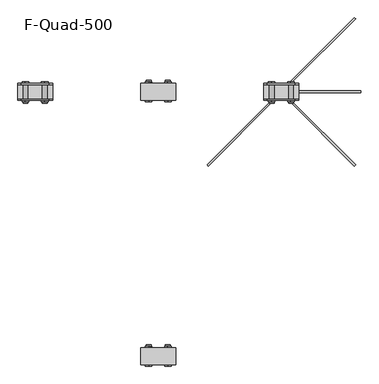
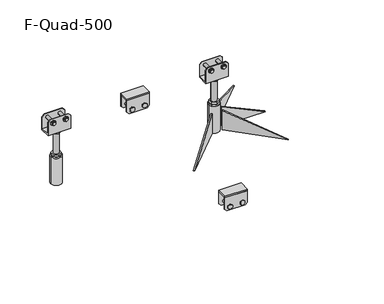
"""IFC4 building model written with IfcOpenShell, lengths in millimetres: beam geometry, F-Quad-500."""

from ifc_helpers import new_model, si_unit, point, frame, frame_2d, origin, place, context, project, spatial, polyline, circle_curve, trimmed, segment, composite_curve, outline, extrude, source, transform, mapped, element, save
from ifc_brep_helpers import plane_surface, cylinder_surface, revolved_surface, advanced_brep


def f_quad_500_ab99eb83(model_context):
    return source(origin(), model_context, "Body", "SolidModel", [
        extrude(outline(polyline([(246.0, 300.0), (236.0, 310.0), (236.0, 390.0), (246.0, 400.0), (300.0, 400.0), (300.0, 300.0), (246.0, 300.0)])), frame((0.0, 728.95, 0.0), z_axis=(0.0, 1.0, 0.0), x_axis=(0.0, 0.0, 1.0)), (0.0, 0.0, 1.0), 3.0),
        extrude(outline(polyline([(246.0, 400.0), (300.0, 400.0), (300.0, 300.0), (246.0, 300.0), (236.0, 310.0), (236.0, 390.0), (246.0, 400.0)])), frame((0.0, 773.45, 0.0), z_axis=(0.0, 1.0, 0.0), x_axis=(0.0, 0.0, 1.0)), (0.0, 0.0, 1.0), 3.0),
        extrude(outline(polyline([(247.4686675, 387.0805489), (258.5313325, 387.0805489), (264.062665, 377.5), (258.5313325, 367.9194511), (247.4686675, 367.9194511), (241.937335, 377.5), (247.4686675, 387.0805489)])), frame((0.0, 776.45, 0.0), z_axis=(0.0, 1.0, 0.0), x_axis=(0.0, 0.0, 1.0)), (0.0, 0.0, 1.0), 5.0),
        extrude(outline(composite_curve([segment(trimmed(circle_curve(frame_2d((253.0, 322.5)), 7.0), [point((253.0, 329.5))], [point((253.0, 315.5))], False, "CARTESIAN"), True, "CONTINUOUS"), segment(trimmed(circle_curve(frame_2d((253.0, 322.5)), 7.0), [point((253.0, 315.5))], [point((253.0, 329.5))], False, "CARTESIAN"), True, "CONTINUOUS")], self_intersect=False)), frame((0.0, 729.046753, 0.0), z_axis=(0.0, 1.0, 0.0), x_axis=(0.0, 0.0, 1.0)), (0.0, 0.0, 1.0), 56.3481376),
        extrude(outline(composite_curve([segment(trimmed(circle_curve(frame_2d((253.0, 377.5)), 7.0), [point((253.0, 384.5))], [point((253.0, 370.5))], False, "CARTESIAN"), True, "CONTINUOUS"), segment(trimmed(circle_curve(frame_2d((253.0, 377.5)), 7.0), [point((253.0, 370.5))], [point((253.0, 384.5))], False, "CARTESIAN"), True, "CONTINUOUS")], self_intersect=False)), frame((0.0, 729.046753, 0.0), z_axis=(0.0, 1.0, 0.0), x_axis=(0.0, 0.0, 1.0)), (0.0, 0.0, 1.0), 56.3481376),
        extrude(outline(polyline([(241.937335, 322.5), (247.4686675, 332.0805489), (258.5313325, 332.0805489), (264.062665, 322.5), (258.5313325, 312.9194511), (247.4686675, 312.9194511), (241.937335, 322.5)])), frame((0.0, 724.046753, 0.0), z_axis=(0.0, 1.0, 0.0), x_axis=(0.0, 0.0, 1.0)), (0.0, 0.0, 1.0), 5.0),
        extrude(outline(polyline([(241.937335, 377.5), (247.4686675, 387.0805489), (258.5313325, 387.0805489), (264.062665, 377.5), (258.5313325, 367.9194511), (247.4686675, 367.9194511), (241.937335, 377.5)])), frame((0.0, 724.046753, 0.0), z_axis=(0.0, 1.0, 0.0), x_axis=(0.0, 0.0, 1.0)), (0.0, 0.0, 1.0), 5.0),
        extrude(outline(polyline([(247.4686675, 332.0805489), (258.5313325, 332.0805489), (264.062665, 322.5), (258.5313325, 312.9194511), (247.4686675, 312.9194511), (241.937335, 322.5), (247.4686675, 332.0805489)])), frame((0.0, 776.45, 0.0), z_axis=(0.0, 1.0, 0.0), x_axis=(0.0, 0.0, 1.0)), (0.0, 0.0, 1.0), 5.0),
        extrude(outline(polyline([(300.0, 728.95), (300.0, 776.45), (400.0, 776.45), (400.0, 728.95), (300.0, 728.95)])), frame((0.0, 0.0, 300.0), z_axis=(0.0, 0.0, 1.0), x_axis=(1.0, 0.0, 0.0)), (0.0, 0.0, 1.0), 7.0),
        extrude(outline(polyline([(246.0, 300.0), (236.0, 310.0), (236.0, 390.0), (246.0, 400.0), (300.0, 400.0), (300.0, 300.0), (246.0, 300.0)])), frame((0.0, -23.55, 0.0), z_axis=(0.0, 1.0, 0.0), x_axis=(0.0, 0.0, 1.0)), (0.0, 0.0, 1.0), 3.0),
        extrude(outline(polyline([(246.0, 400.0), (300.0, 400.0), (300.0, 300.0), (246.0, 300.0), (236.0, 310.0), (236.0, 390.0), (246.0, 400.0)])), frame((0.0, 20.95, 0.0), z_axis=(0.0, 1.0, 0.0), x_axis=(0.0, 0.0, 1.0)), (0.0, 0.0, 1.0), 3.0),
        extrude(outline(polyline([(247.4686675, 387.0805489), (258.5313325, 387.0805489), (264.062665, 377.5), (258.5313325, 367.9194511), (247.4686675, 367.9194511), (241.937335, 377.5), (247.4686675, 387.0805489)])), frame((0.0, 23.95, 0.0), z_axis=(0.0, 1.0, 0.0), x_axis=(0.0, 0.0, 1.0)), (0.0, 0.0, 1.0), 5.0),
        extrude(outline(composite_curve([segment(trimmed(circle_curve(frame_2d((253.0, 322.5)), 7.0), [point((253.0, 329.5))], [point((253.0, 315.5))], False, "CARTESIAN"), True, "CONTINUOUS"), segment(trimmed(circle_curve(frame_2d((253.0, 322.5)), 7.0), [point((253.0, 315.5))], [point((253.0, 329.5))], False, "CARTESIAN"), True, "CONTINUOUS")], self_intersect=False)), frame((0.0, -23.453247, 0.0), z_axis=(0.0, 1.0, 0.0), x_axis=(0.0, 0.0, 1.0)), (0.0, 0.0, 1.0), 56.3481376),
        extrude(outline(composite_curve([segment(trimmed(circle_curve(frame_2d((253.0, 377.5)), 7.0), [point((253.0, 384.5))], [point((253.0, 370.5))], False, "CARTESIAN"), True, "CONTINUOUS"), segment(trimmed(circle_curve(frame_2d((253.0, 377.5)), 7.0), [point((253.0, 370.5))], [point((253.0, 384.5))], False, "CARTESIAN"), True, "CONTINUOUS")], self_intersect=False)), frame((0.0, -23.453247, 0.0), z_axis=(0.0, 1.0, 0.0), x_axis=(0.0, 0.0, 1.0)), (0.0, 0.0, 1.0), 56.3481376),
        extrude(outline(polyline([(241.937335, 322.5), (247.4686675, 332.0805489), (258.5313325, 332.0805489), (264.062665, 322.5), (258.5313325, 312.9194511), (247.4686675, 312.9194511), (241.937335, 322.5)])), frame((0.0, -28.453247, 0.0), z_axis=(0.0, 1.0, 0.0), x_axis=(0.0, 0.0, 1.0)), (0.0, 0.0, 1.0), 5.0),
        extrude(outline(polyline([(241.937335, 377.5), (247.4686675, 387.0805489), (258.5313325, 387.0805489), (264.062665, 377.5), (258.5313325, 367.9194511), (247.4686675, 367.9194511), (241.937335, 377.5)])), frame((0.0, -28.453247, 0.0), z_axis=(0.0, 1.0, 0.0), x_axis=(0.0, 0.0, 1.0)), (0.0, 0.0, 1.0), 5.0),
        extrude(outline(polyline([(247.4686675, 332.0805489), (258.5313325, 332.0805489), (264.062665, 322.5), (258.5313325, 312.9194511), (247.4686675, 312.9194511), (241.937335, 322.5), (247.4686675, 332.0805489)])), frame((0.0, 23.95, 0.0), z_axis=(0.0, 1.0, 0.0), x_axis=(0.0, 0.0, 1.0)), (0.0, 0.0, 1.0), 5.0),
        extrude(outline(polyline([(300.0, -23.55), (300.0, 23.95), (400.0, 23.95), (400.0, -23.55), (300.0, -23.55)])), frame((0.0, 0.0, 300.0), z_axis=(0.0, 0.0, 1.0), x_axis=(1.0, 0.0, 0.0)), (0.0, 0.0, 1.0), 7.0),
        advanced_brep(
        [(650.0, 731.75, 265.0), (750.0, 731.75, 265.0), (750.0, 773.25, 265.0), (650.0, 773.25, 265.0), (750.0, 776.25, 258.0), (750.0, 728.75, 258.0), (650.0, 728.75, 258.0), (650.0, 776.25, 258.0), (727.5, 781.153247, 323.062665), (737.0805489, 781.153247, 317.5313325), (737.0805489, 781.153247, 306.4686675), (727.5, 781.153247, 300.937335), (717.9194511, 781.153247, 306.4686675), (717.9194511, 781.153247, 317.5313325), (672.5, 781.153247, 323.062665), (682.0805489, 781.153247, 317.5313325), (682.0805489, 781.153247, 306.4686675), (672.5, 781.153247, 300.937335), (662.9194511, 781.153247, 306.4686675), (662.9194511, 781.153247, 317.5313325), (727.5, 776.153247, 323.062665), (737.0805489, 776.25, 317.5313325), (737.0805489, 776.25, 306.4686675), (727.5, 776.25, 300.937335), (717.9194511, 776.25, 306.4686675), (717.9194511, 776.25, 317.5313325), (672.5, 776.153247, 323.062665), (682.0805489, 776.25, 317.5313325), (682.0805489, 776.25, 306.4686675), (672.5, 776.25, 300.937335), (662.9194511, 776.25, 306.4686675), (662.9194511, 776.25, 317.5313325), (717.9194511, 723.75, 317.5313325), (717.9194511, 723.75, 306.4686675), (727.5, 723.75, 300.937335), (737.0805489, 723.75, 306.4686675), (737.0805489, 723.75, 317.5313325), (727.5, 723.75, 323.062665), (720.5, 723.75, 312.0), (734.5, 723.75, 312.0), (717.9194511, 728.75, 317.5313325), (717.9194511, 728.75, 306.4686675), (727.5, 728.75, 300.937335), (737.0805489, 728.75, 306.4686675), (737.0805489, 728.75, 317.5313325), (727.5, 728.75, 323.062665), (662.9194511, 723.75, 317.5313325), (662.9194511, 723.75, 306.4686675), (672.5, 723.75, 300.937335), (682.0805489, 723.75, 306.4686675), (682.0805489, 723.75, 317.5313325), (672.5, 723.75, 323.062665), (665.5, 723.75, 312.0), (679.5, 723.75, 312.0), (662.9194511, 728.75, 317.5313325), (662.9194511, 728.75, 306.4686675), (672.5, 728.75, 300.937335), (682.0805489, 728.75, 306.4686675), (682.0805489, 728.75, 317.5313325), (672.5, 728.75, 323.062665), (650.0, 731.75, 319.0), (660.0, 731.75, 329.0), (740.0, 731.75, 329.0), (750.0, 731.75, 319.0), (734.5, 731.75, 312.0), (720.5, 731.75, 312.0), (679.5, 731.75, 312.0), (665.5, 731.75, 312.0), (740.0, 728.75, 329.0), (750.0, 728.75, 319.0), (660.0, 728.75, 329.0), (650.0, 728.75, 319.0), (750.0, 773.25, 319.0), (740.0, 773.25, 329.0), (660.0, 773.25, 329.0), (650.0, 773.25, 319.0), (720.5, 773.25, 312.0), (734.5, 773.25, 312.0), (665.5, 773.25, 312.0), (679.5, 773.25, 312.0), (750.0, 776.25, 319.0), (740.0, 776.25, 329.0), (660.0, 776.25, 329.0), (650.0, 776.25, 319.0), (720.5, 719.8051094, 312.0), (734.5, 719.8051094, 312.0), (665.5, 719.8051094, 312.0), (679.5, 719.8051094, 312.0)],
        [
            (0, 1),
            (1, 2),
            (2, 3),
            (3, 0),
            (4, 5),
            (5, 6),
            (6, 7),
            (7, 4),
            (8, 9),
            (9, 10),
            (10, 11),
            (11, 12),
            (12, 13),
            (13, 8),
            (14, 15),
            (15, 16),
            (16, 17),
            (17, 18),
            (18, 19),
            (19, 14),
            (8, 20),
            (20, 21),
            (21, 9),
            (21, 22),
            (22, 10),
            (22, 23),
            (23, 11),
            (23, 24),
            (24, 12),
            (24, 25),
            (25, 13),
            (25, 20),
            (14, 26),
            (26, 27),
            (27, 15),
            (27, 28),
            (28, 16),
            (28, 29),
            (29, 17),
            (29, 30),
            (30, 18),
            (30, 31),
            (31, 19),
            (31, 26),
            (32, 33),
            (33, 34),
            (34, 35),
            (35, 36),
            (36, 37),
            (37, 32),
            (38, 39, circle_curve(frame((727.5, 723.75, 312.0), z_axis=(0.0, 1.0, 0.0), x_axis=(-1.0, 0.0, 0.0)), 7.0)),
            (39, 38, circle_curve(frame((727.5, 723.75, 312.0), z_axis=(0.0, 1.0, 0.0), x_axis=(-1.0, 0.0, 0.0)), 7.0)),
            (32, 40),
            (40, 41),
            (41, 33),
            (41, 42),
            (42, 34),
            (42, 43),
            (43, 35),
            (43, 44),
            (44, 36),
            (44, 45),
            (45, 37),
            (45, 40),
            (46, 47),
            (47, 48),
            (48, 49),
            (49, 50),
            (50, 51),
            (51, 46),
            (52, 53, circle_curve(frame((672.5, 723.75, 312.0), z_axis=(0.0, 1.0, 0.0), x_axis=(-1.0, 0.0, 0.0)), 7.0)),
            (53, 52, circle_curve(frame((672.5, 723.75, 312.0), z_axis=(0.0, 1.0, 0.0), x_axis=(-1.0, 0.0, 0.0)), 7.0)),
            (46, 54),
            (54, 55),
            (55, 47),
            (55, 56),
            (56, 48),
            (56, 57),
            (57, 49),
            (57, 58),
            (58, 50),
            (58, 59),
            (59, 51),
            (59, 54),
            (60, 61),
            (61, 62),
            (62, 63),
            (63, 1),
            (0, 60),
            (64, 65, circle_curve(frame((727.5, 731.75, 312.0), z_axis=(0.0, -1.0, 0.0), x_axis=(-1.0, 0.0, 0.0)), 7.0)),
            (65, 64, circle_curve(frame((727.5, 731.75, 312.0), z_axis=(0.0, -1.0, 0.0), x_axis=(-1.0, 0.0, 0.0)), 7.0)),
            (66, 67, circle_curve(frame((672.5, 731.75, 312.0), z_axis=(0.0, -1.0, 0.0), x_axis=(-1.0, 0.0, 0.0)), 7.0)),
            (67, 66, circle_curve(frame((672.5, 731.75, 312.0), z_axis=(0.0, -1.0, 0.0), x_axis=(-1.0, 0.0, 0.0)), 7.0)),
            (62, 68),
            (68, 69),
            (69, 63),
            (61, 70),
            (70, 68),
            (60, 71),
            (71, 70),
            (72, 73),
            (73, 74),
            (74, 75),
            (75, 3),
            (2, 72),
            (76, 77, circle_curve(frame((727.5, 773.25, 312.0), z_axis=(0.0, 1.0, 0.0), x_axis=(-1.0, 0.0, 0.0)), 7.0)),
            (77, 76, circle_curve(frame((727.5, 773.25, 312.0), z_axis=(0.0, 1.0, 0.0), x_axis=(-1.0, 0.0, 0.0)), 7.0)),
            (78, 79, circle_curve(frame((672.5, 773.25, 312.0), z_axis=(0.0, 1.0, 0.0), x_axis=(-1.0, 0.0, 0.0)), 7.0)),
            (79, 78, circle_curve(frame((672.5, 773.25, 312.0), z_axis=(0.0, 1.0, 0.0), x_axis=(-1.0, 0.0, 0.0)), 7.0)),
            (80, 81),
            (81, 73),
            (72, 80),
            (81, 82),
            (82, 74),
            (82, 83),
            (83, 75),
            (7, 83),
            (80, 4),
            (6, 71),
            (5, 69),
            (84, 85, circle_curve(frame((727.5, 719.8051094, 312.0), z_axis=(0.0, -1.0, 0.0), x_axis=(-1.0, 0.0, 0.0)), 7.0)),
            (85, 84, circle_curve(frame((727.5, 719.8051094, 312.0), z_axis=(0.0, -1.0, 0.0), x_axis=(-1.0, 0.0, 0.0)), 7.0)),
            (86, 87, circle_curve(frame((672.5, 719.8051094, 312.0), z_axis=(0.0, -1.0, 0.0), x_axis=(-1.0, 0.0, 0.0)), 7.0)),
            (87, 86, circle_curve(frame((672.5, 719.8051094, 312.0), z_axis=(0.0, -1.0, 0.0), x_axis=(-1.0, 0.0, 0.0)), 7.0)),
            (85, 39),
            (38, 84),
            (64, 77),
            (76, 65),
            (87, 53),
            (52, 86),
            (66, 79),
            (78, 67),
        ],
        [
            plane_surface(frame((700.0, 776.25, 265.0), z_axis=(0.0, 0.0, 1.0), x_axis=(-1.0, 0.0, 0.0))),
            plane_surface(frame((700.0, 776.25, 258.0), z_axis=(0.0, 0.0, -1.0), x_axis=(1.0, 0.0, 0.0))),
            plane_surface(frame((727.5, 781.153247, 323.062665), z_axis=(0.0, 1.0, 0.0), x_axis=(0.866025403784437, 0.0, -0.5000000000000028))),
            plane_surface(frame((727.5, 781.153247, 323.062665), z_axis=(0.5000000000000028, 0.0, 0.866025403784437), x_axis=(0.0, -1.0, 0.0))),
            plane_surface(frame((737.0805489, 781.153247, 317.5313325), z_axis=(1.0, 0.0, 0.0), x_axis=(0.0, -1.0, 0.0))),
            plane_surface(frame((737.0805489, 781.153247, 306.4686675), z_axis=(0.4999999999999971, 0.0, -0.8660254037844404), x_axis=(0.0, -1.0, 0.0))),
            plane_surface(frame((727.5, 781.153247, 300.937335), z_axis=(-0.5000000000000031, 0.0, -0.8660254037844369), x_axis=(0.0, -1.0, 0.0))),
            plane_surface(frame((717.9194511, 781.153247, 306.4686675), z_axis=(-1.0, 0.0, 0.0), x_axis=(0.0, -1.0, 0.0))),
            plane_surface(frame((717.9194511, 781.153247, 317.5313325), z_axis=(-0.4999999999999962, 0.0, 0.8660254037844408), x_axis=(0.0, -1.0, 0.0))),
            plane_surface(frame((672.5, 781.153247, 323.062665), z_axis=(0.5000000000000028, 0.0, 0.866025403784437), x_axis=(0.0, -1.0, 0.0))),
            plane_surface(frame((682.0805489, 781.153247, 317.5313325), z_axis=(1.0, 0.0, 0.0), x_axis=(0.0, -1.0, 0.0))),
            plane_surface(frame((682.0805489, 781.153247, 306.4686675), z_axis=(0.4999999999999972, 0.0, -0.8660254037844403), x_axis=(0.0, -1.0, 0.0))),
            plane_surface(frame((672.5, 781.153247, 300.937335), z_axis=(-0.5000000000000029, 0.0, -0.866025403784437), x_axis=(0.0, -1.0, 0.0))),
            plane_surface(frame((662.9194511, 781.153247, 306.4686675), z_axis=(-1.0, 0.0, 0.0), x_axis=(0.0, -1.0, 0.0))),
            plane_surface(frame((662.9194511, 781.153247, 317.5313325), z_axis=(-0.49999999999999617, 0.0, 0.8660254037844409), x_axis=(0.0, -1.0, 0.0))),
            plane_surface(frame((717.9194511, 723.75, 317.5313325), z_axis=(0.0, -1.0, 0.0), x_axis=(0.0, 0.0, -1.0))),
            plane_surface(frame((717.9194511, 723.75, 317.5313325), z_axis=(-1.0, 0.0, 0.0), x_axis=(0.0, 1.0, 0.0))),
            plane_surface(frame((717.9194511, 723.75, 306.4686675), z_axis=(-0.500000000000003, 0.0, -0.866025403784437), x_axis=(0.0, 1.0, 0.0))),
            plane_surface(frame((727.5, 723.75, 300.937335), z_axis=(0.4999999999999972, 0.0, -0.8660254037844403), x_axis=(0.0, 1.0, 0.0))),
            plane_surface(frame((737.0805489, 723.75, 306.4686675), z_axis=(1.0, 0.0, 0.0), x_axis=(0.0, 1.0, 0.0))),
            plane_surface(frame((737.0805489, 723.75, 317.5313325), z_axis=(0.5000000000000038, 0.0, 0.8660254037844366), x_axis=(0.0, 1.0, 0.0))),
            plane_surface(frame((727.5, 723.75, 323.062665), z_axis=(-0.4999999999999978, 0.0, 0.8660254037844399), x_axis=(0.0, 1.0, 0.0))),
            plane_surface(frame((662.9194511, 723.75, 317.5313325), z_axis=(0.0, -1.0, 0.0), x_axis=(0.0, 0.0, -1.0))),
            plane_surface(frame((662.9194511, 723.75, 317.5313325), z_axis=(-1.0, 0.0, 0.0), x_axis=(0.0, 1.0, 0.0))),
            plane_surface(frame((662.9194511, 723.75, 306.4686675), z_axis=(-0.5000000000000031, 0.0, -0.8660254037844368), x_axis=(0.0, 1.0, 0.0))),
            plane_surface(frame((672.5, 723.75, 300.937335), z_axis=(0.49999999999999717, 0.0, -0.8660254037844404), x_axis=(0.0, 1.0, 0.0))),
            plane_surface(frame((682.0805489, 723.75, 306.4686675), z_axis=(1.0, 0.0, 0.0), x_axis=(0.0, 1.0, 0.0))),
            plane_surface(frame((682.0805489, 723.75, 317.5313325), z_axis=(0.5000000000000036, 0.0, 0.8660254037844367), x_axis=(0.0, 1.0, 0.0))),
            plane_surface(frame((672.5, 723.75, 323.062665), z_axis=(-0.4999999999999981, 0.0, 0.8660254037844398), x_axis=(0.0, 1.0, 0.0))),
            plane_surface(frame((650.0, 731.75, 319.0), z_axis=(0.0, 1.0, 0.0), x_axis=(0.0, 0.0, 1.0))),
            plane_surface(frame((750.0, 728.75, 319.0), z_axis=(0.7071067811865493, 0.0, 0.7071067811865457), x_axis=(0.0, 1.0, 0.0))),
            plane_surface(frame((740.0, 728.75, 329.0), z_axis=(0.0, 0.0, 1.0), x_axis=(0.0, 1.0, 0.0))),
            plane_surface(frame((660.0, 728.75, 329.0), z_axis=(-0.707106781186547, 0.0, 0.7071067811865481), x_axis=(0.0, 1.0, 0.0))),
            plane_surface(frame((740.0, 773.25, 329.0), z_axis=(0.0, -1.0, 0.0), x_axis=(-0.7071067811865458, 0.0, 0.7071067811865493))),
            plane_surface(frame((750.0, 773.25, 319.0), z_axis=(0.7071067811865493, 0.0, 0.7071067811865458), x_axis=(0.0, 1.0, 0.0))),
            plane_surface(frame((740.0, 773.25, 329.0), z_axis=(0.0, 0.0, 1.0), x_axis=(0.0, 1.0, 0.0))),
            plane_surface(frame((660.0, 773.25, 329.0), z_axis=(-0.7071067811865467, 0.0, 0.7071067811865485), x_axis=(0.0, 1.0, 0.0))),
            plane_surface(frame((750.0, 776.25, 265.0), z_axis=(0.0, 1.0, 0.0), x_axis=(0.0, 0.0, -1.0))),
            plane_surface(frame((650.0, 776.25, 265.0), z_axis=(-1.0, 0.0, 0.0), x_axis=(0.0, 0.0, -1.0))),
            plane_surface(frame((650.0, 728.75, 265.0), z_axis=(0.0, -1.0, 0.0), x_axis=(0.0, 0.0, -1.0))),
            plane_surface(frame((750.0, 728.75, 265.0), z_axis=(1.0, 0.0, 0.0), x_axis=(0.0, 0.0, -1.0))),
            plane_surface(frame((720.5, 719.8051094, 312.0), z_axis=(0.0, -1.0, 0.0), x_axis=(0.0, 0.0, -1.0))),
            cylinder_surface(frame((727.5, 719.8051094, 312.0), z_axis=(0.0, 1.0, 0.0), x_axis=(-1.0, 0.0, 0.0)), 7.0),
            cylinder_surface(frame((672.5, 776.153247, 312.0), z_axis=(0.0, 1.0, 0.0), x_axis=(-1.0, 0.0, 0.0)), 7.0),
        ],
        [
            (0, [[1, 2, 3, 4]]),
            (1, [[5, 6, 7, 8]]),
            (2, [[9, 10, 11, 12, 13, 14]]),
            (2, [[15, 16, 17, 18, 19, 20]]),
            (3, [[-9, 21, 22, 23]]),
            (4, [[-10, -23, 24, 25]]),
            (5, [[-11, -25, 26, 27]]),
            (6, [[-12, -27, 28, 29]]),
            (7, [[-13, -29, 30, 31]]),
            (8, [[-14, -31, 32, -21]]),
            (9, [[-15, 33, 34, 35]]),
            (10, [[-16, -35, 36, 37]]),
            (11, [[-17, -37, 38, 39]]),
            (12, [[-18, -39, 40, 41]]),
            (13, [[-19, -41, 42, 43]]),
            (14, [[-20, -43, 44, -33]]),
            (15, [[45, 46, 47, 48, 49, 50], [51, 52]]),
            (16, [[-45, 53, 54, 55]]),
            (17, [[-46, -55, 56, 57]]),
            (18, [[-47, -57, 58, 59]]),
            (19, [[-48, -59, 60, 61]]),
            (20, [[-49, -61, 62, 63]]),
            (21, [[-50, -63, 64, -53]]),
            (22, [[65, 66, 67, 68, 69, 70], [71, 72]]),
            (23, [[-65, 73, 74, 75]]),
            (24, [[-66, -75, 76, 77]]),
            (25, [[-67, -77, 78, 79]]),
            (26, [[-68, -79, 80, 81]]),
            (27, [[-69, -81, 82, 83]]),
            (28, [[-70, -83, 84, -73]]),
            (29, [[85, 86, 87, 88, -1, 89], [90, 91], [92, 93]]),
            (30, [[-87, 94, 95, 96]]),
            (31, [[-86, 97, 98, -94]]),
            (32, [[-85, 99, 100, -97]]),
            (33, [[101, 102, 103, 104, -3, 105], [106, 107], [108, 109]]),
            (34, [[110, 111, -101, 112]]),
            (35, [[113, 114, -102, -111]]),
            (36, [[115, 116, -103, -114]]),
            (37, [[-8, 117, -115, -113, -110, 118], [-22, -32, -30, -28, -26, -24], [-34, -44, -42, -40, -38, -36]]),
            (38, [[-117, -7, 119, -99, -89, -4, -104, -116]]),
            (39, [[-6, 120, -95, -98, -100, -119], [-54, -64, -62, -60, -58, -56], [-74, -84, -82, -80, -78, -76]]),
            (40, [[-5, -118, -112, -105, -2, -88, -96, -120]]),
            (41, [[121, 122]]),
            (41, [[123, 124]]),
            (42, [[-122, 125, -51, 126]]),
            (42, [[-90, 127, -106, 128]]),
            (42, [[-121, -126, -52, -125]]),
            (42, [[-91, -128, -107, -127]]),
            (43, [[-124, 129, -71, 130]]),
            (43, [[-92, 131, -108, 132]]),
            (43, [[-123, -130, -72, -129]]),
            (43, [[-93, -132, -109, -131]]),
        ],
    ),
        advanced_brep(
        [(688.0, 752.5, 248.0), (688.0, 752.5, 150.0), (712.0, 752.5, 150.0), (712.0, 752.5, 248.0), (682.6794919, 762.5, 258.0), (682.6794919, 742.5, 258.0), (700.0, 732.5, 258.0), (717.3205081, 742.5, 258.0), (717.3205081, 762.5, 258.0), (700.0, 772.5, 258.0), (682.6794919, 762.5, 248.0), (700.0, 772.5, 248.0), (717.3205081, 762.5, 248.0), (717.3205081, 742.5, 248.0), (700.0, 732.5, 248.0), (682.6794919, 742.5, 248.0), (682.6794919, 762.5, 150.0), (682.6794919, 742.5, 150.0), (700.0, 732.5, 150.0), (717.3205081, 742.5, 150.0), (717.3205081, 762.5, 150.0), (700.0, 772.5, 150.0), (682.6794919, 762.5, 140.0), (682.6794919, 752.5, 140.0), (682.6794919, 742.5, 140.0), (700.0, 732.5, 140.0), (717.3205081, 742.5, 140.0), (717.3205081, 752.5, 140.0), (717.3205081, 762.5, 140.0), (700.0, 772.5, 140.0), (680.0, 752.5, 140.0), (720.0, 752.5, 140.0), (724.0, 752.5, 136.0), (676.0, 752.5, 136.0), (724.0, 752.5, 10.0), (676.0, 752.5, 10.0), (700.0, 752.5, 10.0)],
        [
            (0, 1),
            (1, 2, circle_curve(frame((700.0, 752.5, 150.0), z_axis=(0.0, 0.0, 1.0), x_axis=(1.0, 0.0, 0.0)), 12.0)),
            (2, 3),
            (3, 0, circle_curve(frame((700.0, 752.5, 248.0), z_axis=(0.0, 0.0, -1.0), x_axis=(1.0, 0.0, 0.0)), 12.0)),
            (0, 3, circle_curve(frame((700.0, 752.5, 248.0), z_axis=(0.0, 0.0, -1.0), x_axis=(1.0, 0.0, 0.0)), 12.0)),
            (2, 1, circle_curve(frame((700.0, 752.5, 150.0), z_axis=(0.0, 0.0, 1.0), x_axis=(1.0, 0.0, 0.0)), 12.0)),
            (4, 5),
            (5, 6),
            (6, 7),
            (7, 8),
            (8, 9),
            (9, 4),
            (10, 11),
            (11, 12),
            (12, 13),
            (13, 14),
            (14, 15),
            (15, 10),
            (4, 10),
            (15, 5),
            (14, 6),
            (13, 7),
            (12, 8),
            (11, 9),
            (16, 17),
            (17, 18),
            (18, 19),
            (19, 20),
            (20, 21),
            (21, 16),
            (16, 22),
            (22, 23),
            (23, 24),
            (24, 17),
            (24, 25),
            (25, 18),
            (25, 26),
            (26, 19),
            (26, 27),
            (27, 28),
            (28, 20),
            (28, 29),
            (29, 21),
            (29, 22),
            (22, 30, circle_curve(frame((700.0, 752.5, 140.0), z_axis=(0.0, 0.0, 1.0), x_axis=(-1.0, 0.0, 0.0)), 20.0)),
            (30, 23),
            (29, 22, circle_curve(frame((700.0, 752.5, 140.0), z_axis=(0.0, 0.0, 1.0), x_axis=(-1.0, 0.0, 0.0)), 20.0)),
            (28, 29, circle_curve(frame((700.0, 752.5, 140.0), z_axis=(0.0, 0.0, 1.0), x_axis=(-1.0, 0.0, 0.0)), 20.0)),
            (31, 28, circle_curve(frame((700.0, 752.5, 140.0), z_axis=(0.0, 0.0, 1.0), x_axis=(-1.0, 0.0, 0.0)), 20.0)),
            (27, 31),
            (26, 31, circle_curve(frame((700.0, 752.5, 140.0), z_axis=(0.0, 0.0, 1.0), x_axis=(-1.0, 0.0, 0.0)), 20.0)),
            (25, 26, circle_curve(frame((700.0, 752.5, 140.0), z_axis=(0.0, 0.0, 1.0), x_axis=(-1.0, 0.0, 0.0)), 20.0)),
            (24, 25, circle_curve(frame((700.0, 752.5, 140.0), z_axis=(0.0, 0.0, 1.0), x_axis=(-1.0, 0.0, 0.0)), 20.0)),
            (30, 24, circle_curve(frame((700.0, 752.5, 140.0), z_axis=(0.0, 0.0, 1.0), x_axis=(-1.0, 0.0, 0.0)), 20.0)),
            (32, 33, circle_curve(frame((700.0, 752.5, 136.0), z_axis=(0.0, 0.0, 1.0), x_axis=(-1.0, 0.0, 0.0)), 24.0)),
            (33, 30),
            (31, 32),
            (33, 32, circle_curve(frame((700.0, 752.5, 136.0), z_axis=(0.0, 0.0, 1.0), x_axis=(-1.0, 0.0, 0.0)), 24.0)),
            (32, 34),
            (34, 35, circle_curve(frame((700.0, 752.5, 10.0), z_axis=(0.0, 0.0, 1.0), x_axis=(-1.0, 0.0, 0.0)), 24.0)),
            (35, 33),
            (35, 34, circle_curve(frame((700.0, 752.5, 10.0), z_axis=(0.0, 0.0, 1.0), x_axis=(-1.0, 0.0, 0.0)), 24.0)),
            (34, 36),
            (36, 35),
        ],
        [
            cylinder_surface(frame((700.0, 752.5, 150.0), z_axis=(0.0, 0.0, 1.0), x_axis=(1.0, 0.0, 0.0)), 12.0),
            plane_surface(frame((682.6794919, 762.5, 258.0), z_axis=(0.0, 0.0, 1.0), x_axis=(0.0, -1.0, 0.0))),
            plane_surface(frame((682.6794919, 762.5, 248.0), z_axis=(0.0, 0.0, -1.0), x_axis=(0.0, 1.0, 0.0))),
            plane_surface(frame((682.6794919, 762.5, 258.0), z_axis=(-1.0, 0.0, 0.0), x_axis=(0.0, 0.0, -1.0))),
            plane_surface(frame((682.6794919, 742.5, 258.0), z_axis=(-0.5000000000000034, -0.8660254037844367, 0.0), x_axis=(0.0, 0.0, -1.0))),
            plane_surface(frame((700.0, 732.5, 258.0), z_axis=(0.4999999999999958, -0.8660254037844412, 0.0), x_axis=(0.0, 0.0, -1.0))),
            plane_surface(frame((717.3205081, 742.5, 258.0), z_axis=(1.0, 0.0, 0.0), x_axis=(0.0, 0.0, -1.0))),
            plane_surface(frame((717.3205081, 762.5, 258.0), z_axis=(0.5000000000000064, 0.866025403784435, 0.0), x_axis=(0.0, 0.0, -1.0))),
            plane_surface(frame((700.0, 772.5, 258.0), z_axis=(-0.4999999999999984, 0.8660254037844396, 0.0), x_axis=(0.0, 0.0, -1.0))),
            plane_surface(frame((682.6794919, 762.5, 150.0), z_axis=(0.0, 0.0, 1.0), x_axis=(0.0, -1.0, 0.0))),
            plane_surface(frame((682.6794919, 762.5, 150.0), z_axis=(-1.0, 0.0, 0.0), x_axis=(0.0, 0.0, -1.0))),
            plane_surface(frame((682.6794919, 742.5, 150.0), z_axis=(-0.5000000000000034, -0.8660254037844367, 0.0), x_axis=(0.0, 0.0, -1.0))),
            plane_surface(frame((700.0, 732.5, 150.0), z_axis=(0.49999999999999545, -0.8660254037844413, 0.0), x_axis=(0.0, 0.0, -1.0))),
            plane_surface(frame((717.3205081, 742.5, 150.0), z_axis=(1.0, 0.0, 0.0), x_axis=(0.0, 0.0, -1.0))),
            plane_surface(frame((717.3205081, 762.5, 150.0), z_axis=(0.5000000000000064, 0.866025403784435, 0.0), x_axis=(0.0, 0.0, -1.0))),
            plane_surface(frame((700.0, 772.5, 150.0), z_axis=(-0.49999999999999845, 0.8660254037844396, 0.0), x_axis=(0.0, 0.0, -1.0))),
            plane_surface(frame((700.0, 752.5, 140.0), z_axis=(0.0, 0.0, 1.0), x_axis=(-1.0, 0.0, 0.0))),
            revolved_surface(polyline([(680.0, 752.5, 140.0), (676.0, 752.5, 136.0)]), (700.0, 752.5, 165.0), (0.0, 0.0, -1.0)),
            cylinder_surface(frame((700.0, 752.5, 165.0), z_axis=(0.0, 0.0, -1.0), x_axis=(-1.0, 0.0, 0.0)), 24.0),
            plane_surface(frame((700.0, 752.5, 10.0), z_axis=(0.0, 0.0, -1.0), x_axis=(-1.0, 0.0, 0.0))),
        ],
        [
            (0, [[1, 2, 3, 4]]),
            (0, [[-1, 5, -3, 6]]),
            (1, [[7, 8, 9, 10, 11, 12]]),
            (2, [[13, 14, 15, 16, 17, 18], [-4, -5]]),
            (3, [[-7, 19, -18, 20]]),
            (4, [[-8, -20, -17, 21]]),
            (5, [[-9, -21, -16, 22]]),
            (6, [[-10, -22, -15, 23]]),
            (7, [[-11, -23, -14, 24]]),
            (8, [[-12, -24, -13, -19]]),
            (9, [[25, 26, 27, 28, 29, 30], [-2, -6]]),
            (10, [[-25, 31, 32, 33, 34]]),
            (11, [[-26, -34, 35, 36]]),
            (12, [[-27, -36, 37, 38]]),
            (13, [[-28, -38, 39, 40, 41]]),
            (14, [[-29, -41, 42, 43]]),
            (15, [[-30, -43, 44, -31]]),
            (16, [[45, 46, -32]]),
            (16, [[47, -44]]),
            (16, [[48, -42]]),
            (16, [[49, -40, 50]]),
            (16, [[51, -50, -39]]),
            (16, [[52, -37]]),
            (16, [[53, -35]]),
            (16, [[54, -33, -46]]),
            (17, [[55, 56, -45, -47, -48, -49, 57]]),
            (17, [[-56, 58, -57, -51, -52, -53, -54]]),
            (18, [[-55, 59, 60, 61]]),
            (18, [[-58, -61, 62, -59]]),
            (19, [[-60, 63, 64]]),
            (19, [[-62, -64, -63]]),
        ],
    ),
        advanced_brep(
        [(-50.0, 731.75, 265.0), (50.0, 731.75, 265.0), (50.0, 773.25, 265.0), (-50.0, 773.25, 265.0), (50.0, 776.25, 258.0), (50.0, 728.75, 258.0), (-50.0, 728.75, 258.0), (-50.0, 776.25, 258.0), (27.5, 781.153247, 323.062665), (37.0805489, 781.153247, 317.5313325), (37.0805489, 781.153247, 306.4686675), (27.5, 781.153247, 300.937335), (17.9194511, 781.153247, 306.4686675), (17.9194511, 781.153247, 317.5313325), (-27.5, 781.153247, 323.062665), (-17.9194511, 781.153247, 317.5313325), (-17.9194511, 781.153247, 306.4686675), (-27.5, 781.153247, 300.937335), (-37.0805489, 781.153247, 306.4686675), (-37.0805489, 781.153247, 317.5313325), (27.5, 776.153247, 323.062665), (37.0805489, 776.25, 317.5313325), (37.0805489, 776.25, 306.4686675), (27.5, 776.25, 300.937335), (17.9194511, 776.25, 306.4686675), (17.9194511, 776.25, 317.5313325), (-27.5, 776.153247, 323.062665), (-17.9194511, 776.25, 317.5313325), (-17.9194511, 776.25, 306.4686675), (-27.5, 776.25, 300.937335), (-37.0805489, 776.25, 306.4686675), (-37.0805489, 776.25, 317.5313325), (17.9194511, 723.75, 317.5313325), (17.9194511, 723.75, 306.4686675), (27.5, 723.75, 300.937335), (37.0805489, 723.75, 306.4686675), (37.0805489, 723.75, 317.5313325), (27.5, 723.75, 323.062665), (20.5, 723.75, 312.0), (34.5, 723.75, 312.0), (17.9194511, 728.75, 317.5313325), (17.9194511, 728.75, 306.4686675), (27.5, 728.75, 300.937335), (37.0805489, 728.75, 306.4686675), (37.0805489, 728.75, 317.5313325), (27.5, 728.75, 323.062665), (-37.0805489, 723.75, 317.5313325), (-37.0805489, 723.75, 306.4686675), (-27.5, 723.75, 300.937335), (-17.9194511, 723.75, 306.4686675), (-17.9194511, 723.75, 317.5313325), (-27.5, 723.75, 323.062665), (-34.5, 723.75, 312.0), (-20.5, 723.75, 312.0), (-37.0805489, 728.75, 317.5313325), (-37.0805489, 728.75, 306.4686675), (-27.5, 728.75, 300.937335), (-17.9194511, 728.75, 306.4686675), (-17.9194511, 728.75, 317.5313325), (-27.5, 728.75, 323.062665), (-50.0, 731.75, 319.0), (-40.0, 731.75, 329.0), (40.0, 731.75, 329.0), (50.0, 731.75, 319.0), (34.5, 731.75, 312.0), (20.5, 731.75, 312.0), (-20.5, 731.75, 312.0), (-34.5, 731.75, 312.0), (40.0, 728.75, 329.0), (50.0, 728.75, 319.0), (-40.0, 728.75, 329.0), (-50.0, 728.75, 319.0), (50.0, 773.25, 319.0), (40.0, 773.25, 329.0), (-40.0, 773.25, 329.0), (-50.0, 773.25, 319.0), (20.5, 773.25, 312.0), (34.5, 773.25, 312.0), (-34.5, 773.25, 312.0), (-20.5, 773.25, 312.0), (50.0, 776.25, 319.0), (40.0, 776.25, 329.0), (-40.0, 776.25, 329.0), (-50.0, 776.25, 319.0), (20.5, 719.8051094, 312.0), (34.5, 719.8051094, 312.0), (-34.5, 719.8051094, 312.0), (-20.5, 719.8051094, 312.0)],
        [
            (0, 1),
            (1, 2),
            (2, 3),
            (3, 0),
            (4, 5),
            (5, 6),
            (6, 7),
            (7, 4),
            (8, 9),
            (9, 10),
            (10, 11),
            (11, 12),
            (12, 13),
            (13, 8),
            (14, 15),
            (15, 16),
            (16, 17),
            (17, 18),
            (18, 19),
            (19, 14),
            (8, 20),
            (20, 21),
            (21, 9),
            (21, 22),
            (22, 10),
            (22, 23),
            (23, 11),
            (23, 24),
            (24, 12),
            (24, 25),
            (25, 13),
            (25, 20),
            (14, 26),
            (26, 27),
            (27, 15),
            (27, 28),
            (28, 16),
            (28, 29),
            (29, 17),
            (29, 30),
            (30, 18),
            (30, 31),
            (31, 19),
            (31, 26),
            (32, 33),
            (33, 34),
            (34, 35),
            (35, 36),
            (36, 37),
            (37, 32),
            (38, 39, circle_curve(frame((27.5, 723.75, 312.0), z_axis=(0.0, 1.0, 0.0), x_axis=(-1.0, 0.0, 0.0)), 7.0)),
            (39, 38, circle_curve(frame((27.5, 723.75, 312.0), z_axis=(0.0, 1.0, 0.0), x_axis=(-1.0, 0.0, 0.0)), 7.0)),
            (32, 40),
            (40, 41),
            (41, 33),
            (41, 42),
            (42, 34),
            (42, 43),
            (43, 35),
            (43, 44),
            (44, 36),
            (44, 45),
            (45, 37),
            (45, 40),
            (46, 47),
            (47, 48),
            (48, 49),
            (49, 50),
            (50, 51),
            (51, 46),
            (52, 53, circle_curve(frame((-27.5, 723.75, 312.0), z_axis=(0.0, 1.0, 0.0), x_axis=(-1.0, 0.0, 0.0)), 7.0)),
            (53, 52, circle_curve(frame((-27.5, 723.75, 312.0), z_axis=(0.0, 1.0, 0.0), x_axis=(-1.0, 0.0, 0.0)), 7.0)),
            (46, 54),
            (54, 55),
            (55, 47),
            (55, 56),
            (56, 48),
            (56, 57),
            (57, 49),
            (57, 58),
            (58, 50),
            (58, 59),
            (59, 51),
            (59, 54),
            (60, 61),
            (61, 62),
            (62, 63),
            (63, 1),
            (0, 60),
            (64, 65, circle_curve(frame((27.5, 731.75, 312.0), z_axis=(0.0, -1.0, 0.0), x_axis=(-1.0, 0.0, 0.0)), 7.0)),
            (65, 64, circle_curve(frame((27.5, 731.75, 312.0), z_axis=(0.0, -1.0, 0.0), x_axis=(-1.0, 0.0, 0.0)), 7.0)),
            (66, 67, circle_curve(frame((-27.5, 731.75, 312.0), z_axis=(0.0, -1.0, 0.0), x_axis=(-1.0, 0.0, 0.0)), 7.0)),
            (67, 66, circle_curve(frame((-27.5, 731.75, 312.0), z_axis=(0.0, -1.0, 0.0), x_axis=(-1.0, 0.0, 0.0)), 7.0)),
            (62, 68),
            (68, 69),
            (69, 63),
            (61, 70),
            (70, 68),
            (60, 71),
            (71, 70),
            (72, 73),
            (73, 74),
            (74, 75),
            (75, 3),
            (2, 72),
            (76, 77, circle_curve(frame((27.5, 773.25, 312.0), z_axis=(0.0, 1.0, 0.0), x_axis=(-1.0, 0.0, 0.0)), 7.0)),
            (77, 76, circle_curve(frame((27.5, 773.25, 312.0), z_axis=(0.0, 1.0, 0.0), x_axis=(-1.0, 0.0, 0.0)), 7.0)),
            (78, 79, circle_curve(frame((-27.5, 773.25, 312.0), z_axis=(0.0, 1.0, 0.0), x_axis=(-1.0, 0.0, 0.0)), 7.0)),
            (79, 78, circle_curve(frame((-27.5, 773.25, 312.0), z_axis=(0.0, 1.0, 0.0), x_axis=(-1.0, 0.0, 0.0)), 7.0)),
            (80, 81),
            (81, 73),
            (72, 80),
            (81, 82),
            (82, 74),
            (82, 83),
            (83, 75),
            (7, 83),
            (80, 4),
            (6, 71),
            (5, 69),
            (84, 85, circle_curve(frame((27.5, 719.8051094, 312.0), z_axis=(0.0, -1.0, 0.0), x_axis=(-1.0, 0.0, 0.0)), 7.0)),
            (85, 84, circle_curve(frame((27.5, 719.8051094, 312.0), z_axis=(0.0, -1.0, 0.0), x_axis=(-1.0, 0.0, 0.0)), 7.0)),
            (86, 87, circle_curve(frame((-27.5, 719.8051094, 312.0), z_axis=(0.0, -1.0, 0.0), x_axis=(-1.0, 0.0, 0.0)), 7.0)),
            (87, 86, circle_curve(frame((-27.5, 719.8051094, 312.0), z_axis=(0.0, -1.0, 0.0), x_axis=(-1.0, 0.0, 0.0)), 7.0)),
            (85, 39),
            (38, 84),
            (64, 77),
            (76, 65),
            (87, 53),
            (52, 86),
            (66, 79),
            (78, 67),
        ],
        [
            plane_surface(frame((0.0, 776.25, 265.0), z_axis=(0.0, 0.0, 1.0), x_axis=(-1.0, 0.0, 0.0))),
            plane_surface(frame((0.0, 776.25, 258.0), z_axis=(0.0, 0.0, -1.0), x_axis=(1.0, 0.0, 0.0))),
            plane_surface(frame((27.5, 781.153247, 323.062665), z_axis=(0.0, 1.0, 0.0), x_axis=(0.866025403784437, 0.0, -0.5000000000000028))),
            plane_surface(frame((27.5, 781.153247, 323.062665), z_axis=(0.5000000000000028, 0.0, 0.866025403784437), x_axis=(0.0, -1.0, 0.0))),
            plane_surface(frame((37.0805489, 781.153247, 317.5313325), z_axis=(1.0, 0.0, 0.0), x_axis=(0.0, -1.0, 0.0))),
            plane_surface(frame((37.0805489, 781.153247, 306.4686675), z_axis=(0.4999999999999971, 0.0, -0.8660254037844404), x_axis=(0.0, -1.0, 0.0))),
            plane_surface(frame((27.5, 781.153247, 300.937335), z_axis=(-0.5000000000000031, 0.0, -0.8660254037844369), x_axis=(0.0, -1.0, 0.0))),
            plane_surface(frame((17.9194511, 781.153247, 306.4686675), z_axis=(-1.0, 0.0, 0.0), x_axis=(0.0, -1.0, 0.0))),
            plane_surface(frame((17.9194511, 781.153247, 317.5313325), z_axis=(-0.4999999999999962, 0.0, 0.8660254037844408), x_axis=(0.0, -1.0, 0.0))),
            plane_surface(frame((-27.5, 781.153247, 323.062665), z_axis=(0.5000000000000028, 0.0, 0.866025403784437), x_axis=(0.0, -1.0, 0.0))),
            plane_surface(frame((-17.9194511, 781.153247, 317.5313325), z_axis=(1.0, 0.0, 0.0), x_axis=(0.0, -1.0, 0.0))),
            plane_surface(frame((-17.9194511, 781.153247, 306.4686675), z_axis=(0.4999999999999972, 0.0, -0.8660254037844403), x_axis=(0.0, -1.0, 0.0))),
            plane_surface(frame((-27.5, 781.153247, 300.937335), z_axis=(-0.5000000000000029, 0.0, -0.866025403784437), x_axis=(0.0, -1.0, 0.0))),
            plane_surface(frame((-37.0805489, 781.153247, 306.4686675), z_axis=(-1.0, 0.0, 0.0), x_axis=(0.0, -1.0, 0.0))),
            plane_surface(frame((-37.0805489, 781.153247, 317.5313325), z_axis=(-0.49999999999999617, 0.0, 0.8660254037844409), x_axis=(0.0, -1.0, 0.0))),
            plane_surface(frame((17.9194511, 723.75, 317.5313325), z_axis=(0.0, -1.0, 0.0), x_axis=(0.0, 0.0, -1.0))),
            plane_surface(frame((17.9194511, 723.75, 317.5313325), z_axis=(-1.0, 0.0, 0.0), x_axis=(0.0, 1.0, 0.0))),
            plane_surface(frame((17.9194511, 723.75, 306.4686675), z_axis=(-0.500000000000003, 0.0, -0.866025403784437), x_axis=(0.0, 1.0, 0.0))),
            plane_surface(frame((27.5, 723.75, 300.937335), z_axis=(0.4999999999999972, 0.0, -0.8660254037844403), x_axis=(0.0, 1.0, 0.0))),
            plane_surface(frame((37.0805489, 723.75, 306.4686675), z_axis=(1.0, 0.0, 0.0), x_axis=(0.0, 1.0, 0.0))),
            plane_surface(frame((37.0805489, 723.75, 317.5313325), z_axis=(0.5000000000000038, 0.0, 0.8660254037844366), x_axis=(0.0, 1.0, 0.0))),
            plane_surface(frame((27.5, 723.75, 323.062665), z_axis=(-0.4999999999999978, 0.0, 0.8660254037844399), x_axis=(0.0, 1.0, 0.0))),
            plane_surface(frame((-37.0805489, 723.75, 317.5313325), z_axis=(0.0, -1.0, 0.0), x_axis=(0.0, 0.0, -1.0))),
            plane_surface(frame((-37.0805489, 723.75, 317.5313325), z_axis=(-1.0, 0.0, 0.0), x_axis=(0.0, 1.0, 0.0))),
            plane_surface(frame((-37.0805489, 723.75, 306.4686675), z_axis=(-0.5000000000000031, 0.0, -0.8660254037844368), x_axis=(0.0, 1.0, 0.0))),
            plane_surface(frame((-27.5, 723.75, 300.937335), z_axis=(0.49999999999999717, 0.0, -0.8660254037844404), x_axis=(0.0, 1.0, 0.0))),
            plane_surface(frame((-17.9194511, 723.75, 306.4686675), z_axis=(1.0, 0.0, 0.0), x_axis=(0.0, 1.0, 0.0))),
            plane_surface(frame((-17.9194511, 723.75, 317.5313325), z_axis=(0.5000000000000036, 0.0, 0.8660254037844367), x_axis=(0.0, 1.0, 0.0))),
            plane_surface(frame((-27.5, 723.75, 323.062665), z_axis=(-0.4999999999999981, 0.0, 0.8660254037844398), x_axis=(0.0, 1.0, 0.0))),
            plane_surface(frame((-50.0, 731.75, 319.0), z_axis=(0.0, 1.0, 0.0), x_axis=(0.0, 0.0, 1.0))),
            plane_surface(frame((50.0, 728.75, 319.0), z_axis=(0.7071067811865493, 0.0, 0.7071067811865457), x_axis=(0.0, 1.0, 0.0))),
            plane_surface(frame((40.0, 728.75, 329.0), z_axis=(0.0, 0.0, 1.0), x_axis=(0.0, 1.0, 0.0))),
            plane_surface(frame((-40.0, 728.75, 329.0), z_axis=(-0.707106781186547, 0.0, 0.7071067811865481), x_axis=(0.0, 1.0, 0.0))),
            plane_surface(frame((40.0, 773.25, 329.0), z_axis=(0.0, -1.0, 0.0), x_axis=(-0.7071067811865458, 0.0, 0.7071067811865493))),
            plane_surface(frame((50.0, 773.25, 319.0), z_axis=(0.7071067811865493, 0.0, 0.7071067811865458), x_axis=(0.0, 1.0, 0.0))),
            plane_surface(frame((40.0, 773.25, 329.0), z_axis=(0.0, 0.0, 1.0), x_axis=(0.0, 1.0, 0.0))),
            plane_surface(frame((-40.0, 773.25, 329.0), z_axis=(-0.7071067811865467, 0.0, 0.7071067811865485), x_axis=(0.0, 1.0, 0.0))),
            plane_surface(frame((50.0, 776.25, 265.0), z_axis=(0.0, 1.0, 0.0), x_axis=(0.0, 0.0, -1.0))),
            plane_surface(frame((-50.0, 776.25, 265.0), z_axis=(-1.0, 0.0, 0.0), x_axis=(0.0, 0.0, -1.0))),
            plane_surface(frame((-50.0, 728.75, 265.0), z_axis=(0.0, -1.0, 0.0), x_axis=(0.0, 0.0, -1.0))),
            plane_surface(frame((50.0, 728.75, 265.0), z_axis=(1.0, 0.0, 0.0), x_axis=(0.0, 0.0, -1.0))),
            plane_surface(frame((20.5, 719.8051094, 312.0), z_axis=(0.0, -1.0, 0.0), x_axis=(0.0, 0.0, -1.0))),
            cylinder_surface(frame((27.5, 719.8051094, 312.0), z_axis=(0.0, 1.0, 0.0), x_axis=(-1.0, 0.0, 0.0)), 7.0),
            cylinder_surface(frame((-27.5, 776.153247, 312.0), z_axis=(0.0, 1.0, 0.0), x_axis=(-1.0, 0.0, 0.0)), 7.0),
        ],
        [
            (0, [[1, 2, 3, 4]]),
            (1, [[5, 6, 7, 8]]),
            (2, [[9, 10, 11, 12, 13, 14]]),
            (2, [[15, 16, 17, 18, 19, 20]]),
            (3, [[-9, 21, 22, 23]]),
            (4, [[-10, -23, 24, 25]]),
            (5, [[-11, -25, 26, 27]]),
            (6, [[-12, -27, 28, 29]]),
            (7, [[-13, -29, 30, 31]]),
            (8, [[-14, -31, 32, -21]]),
            (9, [[-15, 33, 34, 35]]),
            (10, [[-16, -35, 36, 37]]),
            (11, [[-17, -37, 38, 39]]),
            (12, [[-18, -39, 40, 41]]),
            (13, [[-19, -41, 42, 43]]),
            (14, [[-20, -43, 44, -33]]),
            (15, [[45, 46, 47, 48, 49, 50], [51, 52]]),
            (16, [[-45, 53, 54, 55]]),
            (17, [[-46, -55, 56, 57]]),
            (18, [[-47, -57, 58, 59]]),
            (19, [[-48, -59, 60, 61]]),
            (20, [[-49, -61, 62, 63]]),
            (21, [[-50, -63, 64, -53]]),
            (22, [[65, 66, 67, 68, 69, 70], [71, 72]]),
            (23, [[-65, 73, 74, 75]]),
            (24, [[-66, -75, 76, 77]]),
            (25, [[-67, -77, 78, 79]]),
            (26, [[-68, -79, 80, 81]]),
            (27, [[-69, -81, 82, 83]]),
            (28, [[-70, -83, 84, -73]]),
            (29, [[85, 86, 87, 88, -1, 89], [90, 91], [92, 93]]),
            (30, [[-87, 94, 95, 96]]),
            (31, [[-86, 97, 98, -94]]),
            (32, [[-85, 99, 100, -97]]),
            (33, [[101, 102, 103, 104, -3, 105], [106, 107], [108, 109]]),
            (34, [[110, 111, -101, 112]]),
            (35, [[113, 114, -102, -111]]),
            (36, [[115, 116, -103, -114]]),
            (37, [[-8, 117, -115, -113, -110, 118], [-22, -32, -30, -28, -26, -24], [-34, -44, -42, -40, -38, -36]]),
            (38, [[-117, -7, 119, -99, -89, -4, -104, -116]]),
            (39, [[-6, 120, -95, -98, -100, -119], [-54, -64, -62, -60, -58, -56], [-74, -84, -82, -80, -78, -76]]),
            (40, [[-5, -118, -112, -105, -2, -88, -96, -120]]),
            (41, [[121, 122]]),
            (41, [[123, 124]]),
            (42, [[-122, 125, -51, 126]]),
            (42, [[-90, 127, -106, 128]]),
            (42, [[-121, -126, -52, -125]]),
            (42, [[-91, -128, -107, -127]]),
            (43, [[-124, 129, -71, 130]]),
            (43, [[-92, 131, -108, 132]]),
            (43, [[-123, -130, -72, -129]]),
            (43, [[-93, -132, -109, -131]]),
        ],
    ),
        advanced_brep(
        [(-12.0, 752.5, 248.0), (-12.0, 752.5, 150.0), (12.0, 752.5, 150.0), (12.0, 752.5, 248.0), (-17.3205081, 762.5, 258.0), (-17.3205081, 742.5, 258.0), (0.0, 732.5, 258.0), (17.3205081, 742.5, 258.0), (17.3205081, 762.5, 258.0), (0.0, 772.5, 258.0), (-17.3205081, 762.5, 248.0), (0.0, 772.5, 248.0), (17.3205081, 762.5, 248.0), (17.3205081, 742.5, 248.0), (0.0, 732.5, 248.0), (-17.3205081, 742.5, 248.0), (-17.3205081, 762.5, 150.0), (-17.3205081, 742.5, 150.0), (0.0, 732.5, 150.0), (17.3205081, 742.5, 150.0), (17.3205081, 762.5, 150.0), (0.0, 772.5, 150.0), (-17.3205081, 762.5, 140.0), (-17.3205081, 752.5, 140.0), (-17.3205081, 742.5, 140.0), (0.0, 732.5, 140.0), (17.3205081, 742.5, 140.0), (17.3205081, 752.5, 140.0), (17.3205081, 762.5, 140.0), (0.0, 772.5, 140.0), (-20.0, 752.5, 140.0), (20.0, 752.5, 140.0), (24.0, 752.5, 136.0), (-24.0, 752.5, 136.0), (24.0, 752.5, 10.0), (-24.0, 752.5, 10.0), (0.0, 752.5, 10.0)],
        [
            (0, 1),
            (1, 2, circle_curve(frame((0.0, 752.5, 150.0), z_axis=(0.0, 0.0, 1.0), x_axis=(1.0, 0.0, 0.0)), 12.0)),
            (2, 3),
            (3, 0, circle_curve(frame((0.0, 752.5, 248.0), z_axis=(0.0, 0.0, -1.0), x_axis=(1.0, 0.0, 0.0)), 12.0)),
            (0, 3, circle_curve(frame((0.0, 752.5, 248.0), z_axis=(0.0, 0.0, -1.0), x_axis=(1.0, 0.0, 0.0)), 12.0)),
            (2, 1, circle_curve(frame((0.0, 752.5, 150.0), z_axis=(0.0, 0.0, 1.0), x_axis=(1.0, 0.0, 0.0)), 12.0)),
            (4, 5),
            (5, 6),
            (6, 7),
            (7, 8),
            (8, 9),
            (9, 4),
            (10, 11),
            (11, 12),
            (12, 13),
            (13, 14),
            (14, 15),
            (15, 10),
            (4, 10),
            (15, 5),
            (14, 6),
            (13, 7),
            (12, 8),
            (11, 9),
            (16, 17),
            (17, 18),
            (18, 19),
            (19, 20),
            (20, 21),
            (21, 16),
            (16, 22),
            (22, 23),
            (23, 24),
            (24, 17),
            (24, 25),
            (25, 18),
            (25, 26),
            (26, 19),
            (26, 27),
            (27, 28),
            (28, 20),
            (28, 29),
            (29, 21),
            (29, 22),
            (22, 30, circle_curve(frame((0.0, 752.5, 140.0), z_axis=(0.0, 0.0, 1.0), x_axis=(-1.0, 0.0, 0.0)), 20.0)),
            (30, 23),
            (29, 22, circle_curve(frame((0.0, 752.5, 140.0), z_axis=(0.0, 0.0, 1.0), x_axis=(-1.0, 0.0, 0.0)), 20.0)),
            (28, 29, circle_curve(frame((0.0, 752.5, 140.0), z_axis=(0.0, 0.0, 1.0), x_axis=(-1.0, 0.0, 0.0)), 20.0)),
            (31, 28, circle_curve(frame((0.0, 752.5, 140.0), z_axis=(0.0, 0.0, 1.0), x_axis=(-1.0, 0.0, 0.0)), 20.0)),
            (27, 31),
            (26, 31, circle_curve(frame((0.0, 752.5, 140.0), z_axis=(0.0, 0.0, 1.0), x_axis=(-1.0, 0.0, 0.0)), 20.0)),
            (25, 26, circle_curve(frame((0.0, 752.5, 140.0), z_axis=(0.0, 0.0, 1.0), x_axis=(-1.0, 0.0, 0.0)), 20.0)),
            (24, 25, circle_curve(frame((0.0, 752.5, 140.0), z_axis=(0.0, 0.0, 1.0), x_axis=(-1.0, 0.0, 0.0)), 20.0)),
            (30, 24, circle_curve(frame((0.0, 752.5, 140.0), z_axis=(0.0, 0.0, 1.0), x_axis=(-1.0, 0.0, 0.0)), 20.0)),
            (32, 33, circle_curve(frame((0.0, 752.5, 136.0), z_axis=(0.0, 0.0, 1.0), x_axis=(-1.0, 0.0, 0.0)), 24.0)),
            (33, 30),
            (31, 32),
            (33, 32, circle_curve(frame((0.0, 752.5, 136.0), z_axis=(0.0, 0.0, 1.0), x_axis=(-1.0, 0.0, 0.0)), 24.0)),
            (32, 34),
            (34, 35, circle_curve(frame((0.0, 752.5, 10.0), z_axis=(0.0, 0.0, 1.0), x_axis=(-1.0, 0.0, 0.0)), 24.0)),
            (35, 33),
            (35, 34, circle_curve(frame((0.0, 752.5, 10.0), z_axis=(0.0, 0.0, 1.0), x_axis=(-1.0, 0.0, 0.0)), 24.0)),
            (34, 36),
            (36, 35),
        ],
        [
            cylinder_surface(frame((0.0, 752.5, 150.0), z_axis=(0.0, 0.0, 1.0), x_axis=(1.0, 0.0, 0.0)), 12.0),
            plane_surface(frame((-17.3205081, 762.5, 258.0), z_axis=(0.0, 0.0, 1.0), x_axis=(0.0, -1.0, 0.0))),
            plane_surface(frame((-17.3205081, 762.5, 248.0), z_axis=(0.0, 0.0, -1.0), x_axis=(0.0, 1.0, 0.0))),
            plane_surface(frame((-17.3205081, 762.5, 258.0), z_axis=(-1.0, 0.0, 0.0), x_axis=(0.0, 0.0, -1.0))),
            plane_surface(frame((-17.3205081, 742.5, 258.0), z_axis=(-0.5000000000000034, -0.8660254037844367, 0.0), x_axis=(0.0, 0.0, -1.0))),
            plane_surface(frame((0.0, 732.5, 258.0), z_axis=(0.4999999999999958, -0.8660254037844412, 0.0), x_axis=(0.0, 0.0, -1.0))),
            plane_surface(frame((17.3205081, 742.5, 258.0), z_axis=(1.0, 0.0, 0.0), x_axis=(0.0, 0.0, -1.0))),
            plane_surface(frame((17.3205081, 762.5, 258.0), z_axis=(0.5000000000000064, 0.866025403784435, 0.0), x_axis=(0.0, 0.0, -1.0))),
            plane_surface(frame((0.0, 772.5, 258.0), z_axis=(-0.4999999999999984, 0.8660254037844396, 0.0), x_axis=(0.0, 0.0, -1.0))),
            plane_surface(frame((-17.3205081, 762.5, 150.0), z_axis=(0.0, 0.0, 1.0), x_axis=(0.0, -1.0, 0.0))),
            plane_surface(frame((-17.3205081, 762.5, 150.0), z_axis=(-1.0, 0.0, 0.0), x_axis=(0.0, 0.0, -1.0))),
            plane_surface(frame((-17.3205081, 742.5, 150.0), z_axis=(-0.5000000000000034, -0.8660254037844367, 0.0), x_axis=(0.0, 0.0, -1.0))),
            plane_surface(frame((0.0, 732.5, 150.0), z_axis=(0.49999999999999545, -0.8660254037844413, 0.0), x_axis=(0.0, 0.0, -1.0))),
            plane_surface(frame((17.3205081, 742.5, 150.0), z_axis=(1.0, 0.0, 0.0), x_axis=(0.0, 0.0, -1.0))),
            plane_surface(frame((17.3205081, 762.5, 150.0), z_axis=(0.5000000000000064, 0.866025403784435, 0.0), x_axis=(0.0, 0.0, -1.0))),
            plane_surface(frame((0.0, 772.5, 150.0), z_axis=(-0.49999999999999845, 0.8660254037844396, 0.0), x_axis=(0.0, 0.0, -1.0))),
            plane_surface(frame((0.0, 752.5, 140.0), z_axis=(0.0, 0.0, 1.0), x_axis=(-1.0, 0.0, 0.0))),
            revolved_surface(polyline([(-20.0, 752.5, 140.0), (-24.0, 752.5, 136.0)]), (0.0, 752.5, 165.0), (0.0, 0.0, -1.0)),
            cylinder_surface(frame((0.0, 752.5, 165.0), z_axis=(0.0, 0.0, -1.0), x_axis=(-1.0, 0.0, 0.0)), 24.0),
            plane_surface(frame((0.0, 752.5, 10.0), z_axis=(0.0, 0.0, -1.0), x_axis=(-1.0, 0.0, 0.0))),
        ],
        [
            (0, [[1, 2, 3, 4]]),
            (0, [[-1, 5, -3, 6]]),
            (1, [[7, 8, 9, 10, 11, 12]]),
            (2, [[13, 14, 15, 16, 17, 18], [-4, -5]]),
            (3, [[-7, 19, -18, 20]]),
            (4, [[-8, -20, -17, 21]]),
            (5, [[-9, -21, -16, 22]]),
            (6, [[-10, -22, -15, 23]]),
            (7, [[-11, -23, -14, 24]]),
            (8, [[-12, -24, -13, -19]]),
            (9, [[25, 26, 27, 28, 29, 30], [-2, -6]]),
            (10, [[-25, 31, 32, 33, 34]]),
            (11, [[-26, -34, 35, 36]]),
            (12, [[-27, -36, 37, 38]]),
            (13, [[-28, -38, 39, 40, 41]]),
            (14, [[-29, -41, 42, 43]]),
            (15, [[-30, -43, 44, -31]]),
            (16, [[45, 46, -32]]),
            (16, [[47, -44]]),
            (16, [[48, -42]]),
            (16, [[49, -40, 50]]),
            (16, [[51, -50, -39]]),
            (16, [[52, -37]]),
            (16, [[53, -35]]),
            (16, [[54, -33, -46]]),
            (17, [[55, 56, -45, -47, -48, -49, 57]]),
            (17, [[-56, 58, -57, -51, -52, -53, -54]]),
            (18, [[-55, 59, 60, 61]]),
            (18, [[-58, -61, 62, -59]]),
            (19, [[-60, 63, 64]]),
            (19, [[-62, -64, -63]]),
        ],
    ),
        extrude(outline(polyline([(0.0, 0.0), (277.0270745, 0.0), (247.7880551, -85.1180342), (0.0, 0.0)])), frame((907.5358403, 541.4286258, 17.0), z_axis=(0.7071067811865491, 0.7071067811865459, 0.0), x_axis=(-0.6687504353591679, 0.6687504353591709, 0.32487799312025273)), (0.0, 0.0, 1.0), 5.0),
        extrude(outline(polyline([(0.0, 0.0), (-247.7880551, -85.1180342), (-277.0270745, 0.0), (0.0, 0.0)])), frame((492.4641597, 541.4286258, 17.0), z_axis=(-0.7071067811865449, 0.7071067811865502, 0.0), x_axis=(-0.6687504353591719, -0.6687504353591668, -0.3248779931202527)), (0.0, 0.0, 1.0), 5.0),
        extrude(outline(polyline([(0.0, 0.0), (277.0270745, 0.0), (247.7880551, -85.1180342), (0.0, 0.0)])), frame((911.0713742, 960.0358403, 17.0), z_axis=(-0.7071067811865384, 0.7071067811865568, 0.0), x_axis=(-0.6687504353591781, -0.6687504353591606, 0.32487799312025273)), (0.0, 0.0, 1.0), 5.0),
        extrude(outline(polyline([(17.0, 926.5), (107.0, 733.9683544), (17.0, 733.9683544), (17.0, 926.5)])), frame((0.0, 750.0, 0.0), z_axis=(0.0, 1.0, 0.0), x_axis=(0.0, 0.0, 1.0)), (0.0, 0.0, 1.0), 5.0),
    ])


if __name__ == "__main__":
    model = new_model("IFC4")
    model_context = context("Model", 3, world=origin())
    ifc_project = project(units=[si_unit("LENGTHUNIT", "METRE", prefix="MILLI")], contexts=[model_context])
    site = spatial("IfcSite", under=ifc_project)
    building = spatial("IfcBuilding", under=site)
    placement = place(None, origin())
    f_quad_500_shape = f_quad_500_ab99eb83(model_context)
    element("IfcBeam", 1, ObjectType="F-Quad-500", at=placement, inside=building, context=model_context, shape_type="MappedRepresentation", body=[
        mapped(f_quad_500_shape, transform((0.0, 0.0, 0.0), x_axis=(1.0, 0.0, 0.0), y_axis=(0.0, 1.0, 0.0), z_axis=(0.0, 0.0, 1.0))),
    ])
    save(model, "model.ifc")
